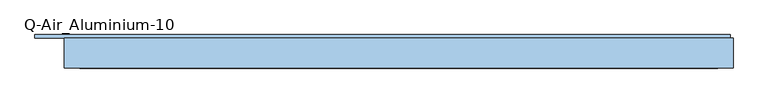
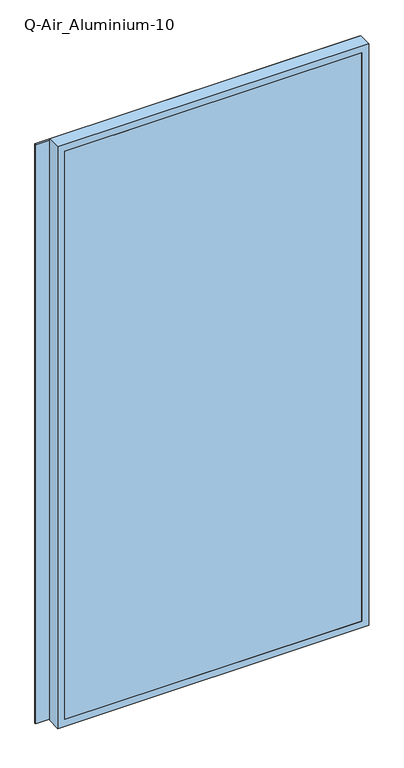
"""IFC4 building model written with IfcOpenShell, lengths in millimetres: window geometry, Q-Air_Aluminium-10."""

from ifc_helpers import new_model, si_unit, frame, origin, place, context, project, spatial, polyline, outline, extrude, source, transform, mapped, element, save


def q_air_aluminium_10_7688bed2(model_context):
    return source(origin(), model_context, "Body", "SweptSolid", [
        extrude(outline(polyline([(5020.0, 1270.0), (5020.0, -1270.0), (0.0, -1270.0), (0.0, 1270.0), (5020.0, 1270.0)]), holes=[polyline([(4962.0, 1212.0), (58.0, 1212.0), (58.0, -1212.0), (4962.0, -1212.0), (4962.0, 1212.0)])]), frame((0.0, 0.0, 0.0), z_axis=(0.0, 1.0, 0.0), x_axis=(0.0, 0.0, 1.0)), (0.0, 0.0, 1.0), 114.5),
        extrude(outline(polyline([(1212.0, 0.0), (-1212.0, 0.0), (-1212.0, 12.5), (1212.0, 12.5), (1212.0, 0.0)])), frame((0.0, 0.0, 58.0), z_axis=(0.0, 0.0, 1.0), x_axis=(1.0, 0.0, 0.0)), (0.0, 0.0, 1.0), 4904.0),
        extrude(outline(polyline([(1260.0, 114.5), (-1382.4, 114.5), (-1382.4, 127.0), (1260.0, 127.0), (1260.0, 114.5)])), frame((0.0, 0.0, 10.0), z_axis=(0.0, 0.0, 1.0), x_axis=(1.0, 0.0, 0.0)), (0.0, 0.0, 1.0), 5000.0),
        extrude(outline(polyline([(5010.0, 1260.0), (5010.0, -1382.4), (10.0, -1382.4), (10.0, 1260.0), (5010.0, 1260.0)]), holes=[polyline([(4962.0, 1212.0), (58.0, 1212.0), (58.0, -1212.0), (4962.0, -1212.0), (4962.0, 1212.0)])]), frame((0.0, 114.5, 0.0), z_axis=(0.0, 1.0, 0.0), x_axis=(0.0, 0.0, 1.0)), (0.0, 0.0, 1.0), 4.0),
    ])


if __name__ == "__main__":
    model = new_model("IFC4")
    model_context = context("Model", 3, world=origin())
    ifc_project = project(units=[si_unit("LENGTHUNIT", "METRE", prefix="MILLI")], contexts=[model_context])
    site = spatial("IfcSite", under=ifc_project)
    building = spatial("IfcBuilding", under=site)
    placement = place(None, origin())
    q_air_aluminium_10_shape = q_air_aluminium_10_7688bed2(model_context)
    element("IfcWindow", 1, ObjectType="Q-Air_Aluminium-10", at=placement, inside=building, context=model_context, shape_type="MappedRepresentation", body=[
        mapped(q_air_aluminium_10_shape, transform((0.0, 0.0, 0.0), x_axis=(1.0, 0.0, 0.0), y_axis=(0.0, 1.0, 0.0), z_axis=(0.0, 0.0, 1.0))),
    ])
    save(model, "model.ifc")
